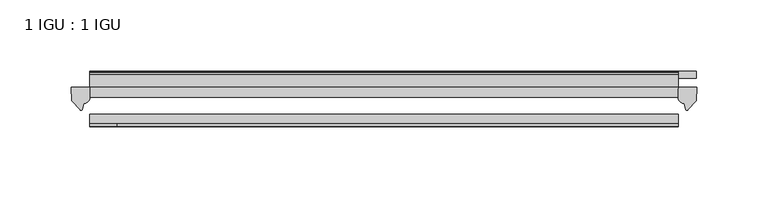
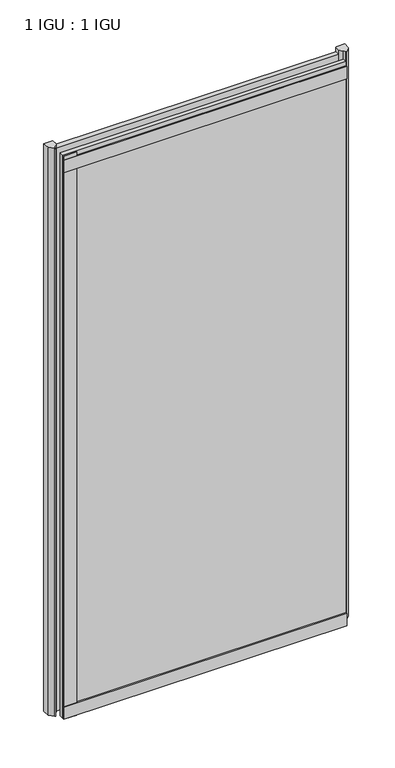
"""IFC4 building model written with IfcOpenShell, lengths in millimetres: plate geometry, 1 IGU : 1 IGU."""

from ifc_helpers import new_model, si_unit, point, frame, frame_2d, origin, place, context, project, spatial, polyline, circle_curve, trimmed, segment, composite_curve, outline, extrude, source, transform, mapped, element, save


def plate_1_igu_1_igu_b1633d7a(model_context):
    return source(origin(), model_context, "Body", "SweptSolid", [
        extrude(outline(polyline([(105.7683781, -11.6085937), (105.7683781, -18.8576359), (-307.9761906, -18.8576359), (-307.9761906, -11.6085937), (105.7683781, -11.6085937)])), frame((0.0, 0.0, -19.05), z_axis=(0.0, 0.0, 1.0), x_axis=(1.0, 0.0, 0.0)), (0.0, 0.0, 1.0), 869.9499998),
        extrude(outline(polyline([(-307.9761906, -30.7093937), (105.7683781, -30.7093937), (105.7683781, -37.0085937), (-307.9761906, -37.0085937), (-307.9761906, -30.7093937)])), frame((0.0, 0.0, -19.05), z_axis=(0.0, 0.0, 1.0), x_axis=(1.0, 0.0, 0.0)), (0.0, 0.0, 1.0), 869.9499998),
        extrude(outline(polyline([(118.4683781, -0.4960937), (118.4683781, -5.3578125), (86.7183781, -5.3578125), (86.7183781, -0.4960937), (118.4683781, -0.4960937)])), frame((0.0, 0.0, -28.575), z_axis=(0.0, 0.0, 1.0), x_axis=(1.0, 0.0, 0.0)), (0.0, 0.0, 1.0), 28.575),
        extrude(outline(composite_curve([segment(polyline([(118.8462873, -11.6101465), (118.4683781, -21.3502133), (112.5303249, -27.6095865)]), True, "CONTINUOUS"), segment(trimmed(circle_curve(frame_2d((111.8575188, -27.2518492)), 0.762), [point((112.5303249, -27.6095865))], [point((111.1288146, -27.4746364))], False, "CARTESIAN"), True, "CONTINUOUS"), segment(polyline([(111.1288146, -27.4746364), (109.86698, -23.3488397)]), True, "CONTINUOUS"), segment(trimmed(circle_curve(frame_2d((112.0489372, -16.3834724)), 7.2991286), [point((109.86698, -23.3488397))], [point((105.7685567, -20.1028944))], False, "CARTESIAN"), True, "CONTINUOUS"), segment(polyline([(105.7685567, -20.1028944), (105.7685567, -12.664425)]), True, "CONTINUOUS"), segment(trimmed(circle_curve(frame_2d((112.0498112, -16.3827796)), 7.2993369), [point((105.7685567, -12.664425))], [point((106.5269231, -11.6101465))], False, "CARTESIAN"), True, "CONTINUOUS"), segment(polyline([(106.5269231, -11.6101465), (118.8462873, -11.6101465)]), True, "CONTINUOUS")], self_intersect=False)), frame((0.0, 0.0, -19.05), z_axis=(0.0, 0.0, 1.0), x_axis=(1.0, 0.0, 0.0)), (0.0, 0.0, 1.0), 877.0873998),
        extrude(outline(composite_curve([segment(polyline([(-307.9761906, -11.610702), (-307.9761906, -20.1014769)]), True, "CONTINUOUS"), segment(trimmed(circle_curve(frame_2d((-314.257385, -16.3829847)), 7.2993552), [point((-307.9761906, -20.1014769))], [point((-312.0751404, -23.3484994))], False, "CARTESIAN"), True, "CONTINUOUS"), segment(polyline([(-312.0751404, -23.3484994), (-313.3366271, -27.4746364)]), True, "CONTINUOUS"), segment(trimmed(circle_curve(frame_2d((-314.0653313, -27.2518492)), 0.762), [point((-313.3366271, -27.4746364))], [point((-314.7381374, -27.6095865))], False, "CARTESIAN"), True, "CONTINUOUS"), segment(polyline([(-314.7381374, -27.6095865), (-320.6761906, -21.3502133), (-321.0540998, -11.610702), (-307.9761906, -11.610702)]), True, "CONTINUOUS")], self_intersect=False)), frame((0.0, 0.0, -19.05), z_axis=(0.0, 0.0, 1.0), x_axis=(1.0, 0.0, 0.0)), (0.0, 0.0, 1.0), 877.0873998),
        extrude(outline(polyline([(-307.9761906, -39.2945937), (-307.9761906, -37.0085937), (105.7683781, -37.0085937), (105.7683781, -39.2945937), (-307.9761906, -39.2945937)])), frame((0.0, 0.0, -19.05), z_axis=(0.0, 0.0, 1.0), x_axis=(1.0, 0.0, 0.0)), (0.0, 0.0, 1.0), 19.05),
        extrude(outline(composite_curve([segment(trimmed(circle_curve(frame_2d((-2.5575611, 32.8538976)), 31.3272753), [point((-11.6085937, 2.8626158))], [point((-2.2024699, 1.5286348))], True, "CARTESIAN"), True, "CONTINUOUS"), segment(polyline([(-2.2024699, 1.5286348), (-2.2024699, 0.0), (-5.2585937, 0.0), (-5.2585937, -5.2345509), (-3.3544944, -5.5797863), (-5.2585937, -8.255), (-5.2585937, -11.471876)]), True, "CONTINUOUS"), segment(trimmed(circle_curve(frame_2d((-6.5285937, -11.471876)), 1.27), [point((-5.2585937, -11.471876))], [point((-7.4547667, -12.340843))], False, "CARTESIAN"), True, "CONTINUOUS"), segment(polyline([(-7.4547667, -12.340843), (-11.6085937, -7.9135609), (-11.6085937, 2.8626158)]), True, "CONTINUOUS")], self_intersect=False)), frame((-307.9761906, 0.0, 0.0), z_axis=(1.0, 0.0, 0.0), x_axis=(0.0, 1.0, 0.0)), (0.0, 0.0, 1.0), 413.7445688),
        extrude(outline(composite_curve([segment(polyline([(-3.0995937, 840.8194211), (-3.0995937, 838.7874211), (-5.2585937, 838.7874211), (-5.2585937, 833.4534211), (-1.5755937, 833.4534211), (-1.5755937, 830.4054211), (-5.2585937, 830.4054211), (-5.2585937, 825.5794211), (-0.5298657, 826.2440005), (-0.4061408, 825.3636522)]), True, "CONTINUOUS"), segment(trimmed(circle_curve(frame_2d((-1.4122531, 825.2222523)), 1.016), [point((-0.4061408, 825.3636522))], [point((-1.2708533, 824.21614))], False, "CARTESIAN"), True, "CONTINUOUS"), segment(polyline([(-1.2708533, 824.21614), (-11.6085937, 822.7632653), (-11.6085937, 840.8194211), (-3.0995937, 840.8194211)]), True, "CONTINUOUS")], self_intersect=False)), frame((-307.9761906, 0.0, 0.0), z_axis=(1.0, 0.0, 0.0), x_axis=(0.0, 1.0, 0.0)), (0.0, 0.0, 1.0), 413.7445688),
        extrude(outline(polyline([(-307.9761906, -39.2945937), (-307.9761906, -37.0085937), (105.7683781, -37.0085937), (105.7683781, -39.2945937), (-307.9761906, -39.2945937)])), frame((0.0, 0.0, 825.4999998), z_axis=(0.0, 0.0, 1.0), x_axis=(1.0, 0.0, 0.0)), (0.0, 0.0, 1.0), 19.05),
        extrude(outline(polyline([(-307.9761906, -39.2945937), (-307.9761906, -37.0085937), (-288.9261906, -37.0085937), (-288.9261906, -39.2945937), (-307.9761906, -39.2945937)])), frame((0.0, 0.0, -19.05), z_axis=(0.0, 0.0, 1.0), x_axis=(1.0, 0.0, 0.0)), (0.0, 0.0, 1.0), 869.9499998),
    ])


if __name__ == "__main__":
    model = new_model("IFC4")
    model_context = context("Model", 3, world=origin())
    ifc_project = project(units=[si_unit("LENGTHUNIT", "METRE", prefix="MILLI")], contexts=[model_context])
    site = spatial("IfcSite", under=ifc_project)
    building = spatial("IfcBuilding", under=site)
    placement = place(None, origin())
    plate_1_igu_1_igu_shape = plate_1_igu_1_igu_b1633d7a(model_context)
    element("IfcPlate", 1, ObjectType="1 IGU : 1 IGU", at=placement, inside=building, context=model_context, shape_type="MappedRepresentation", body=[
        mapped(plate_1_igu_1_igu_shape, transform((0.0, 0.0, 0.0), x_axis=(1.0, 0.0, 0.0), y_axis=(0.0, 1.0, 0.0), z_axis=(0.0, 0.0, 1.0))),
    ])
    save(model, "model.ifc")
